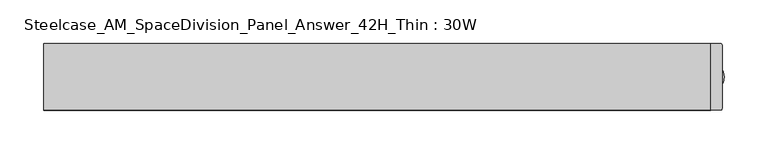
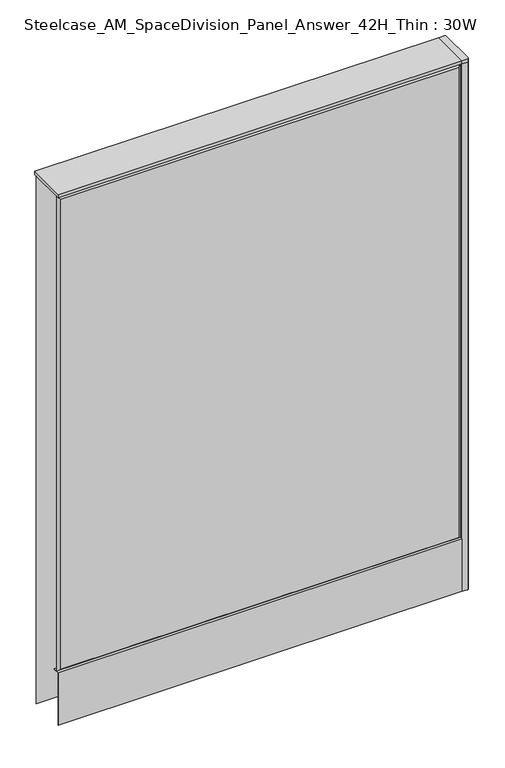
"""IFC4 building model written with IfcOpenShell, lengths in millimetres: furniture geometry, Steelcase_AM_SpaceDivision_Panel_Answer_42H_Thin : 30W."""

from ifc_helpers import new_model, si_unit, point, frame, frame_2d, origin, place, context, project, spatial, polyline, circle_curve, trimmed, segment, composite_curve, outline, extrude, faceted_brep, source, transform, mapped, element, save


def steelcase_am_spacedivision_panel_answer_42h_thin_30w_179718da(model_context):
    return source(origin(), model_context, "Body", "SolidModel", [
        extrude(outline(polyline([(-37.3075215, 119.8575157), (-37.3075215, 15.494), (-38.1000194, 15.494), (-38.1000194, 120.65), (-25.4000011, 120.65), (-25.4000011, 119.8575157), (-37.3075215, 119.8575157)])), frame((-381.0, 0.0, 0.0), z_axis=(1.0, 0.0, 0.0), x_axis=(0.0, 1.0, 0.0)), (0.0, 0.0, 1.0), 762.0),
        extrude(outline(composite_curve([segment(trimmed(circle_curve(frame_2d((381.0, -1.94e-05)), 5.08), [point((386.08, -1.94e-05))], [point((375.92, -1.94e-05))], False, "CARTESIAN"), True, "CONTINUOUS"), segment(trimmed(circle_curve(frame_2d((381.0, -1.94e-05)), 5.08), [point((375.92, -1.94e-05))], [point((386.08, -1.94e-05))], False, "CARTESIAN"), True, "CONTINUOUS")], self_intersect=False)), frame((0.0, 0.0, 5.0799671), z_axis=(0.0, 0.0, 1.0), x_axis=(1.0, 0.0, 0.0)), (0.0, 0.0, 1.0), 10.414),
        extrude(outline(composite_curve([segment(trimmed(circle_curve(frame_2d((381.0, -1.94e-05)), 15.24), [point((396.24, -1.94e-05))], [point((365.76, -1.94e-05))], False, "CARTESIAN"), True, "CONTINUOUS"), segment(trimmed(circle_curve(frame_2d((381.0, -1.94e-05)), 15.24), [point((365.76, -1.94e-05))], [point((396.24, -1.94e-05))], False, "CARTESIAN"), True, "CONTINUOUS")], self_intersect=False)), frame((0.0, 0.0, -3.29e-05), z_axis=(0.0, 0.0, 1.0), x_axis=(1.0, 0.0, 0.0)), (0.0, 0.0, 1.0), 5.08),
        extrude(outline(composite_curve([segment(polyline([(393.7, 36.322), (393.7, -36.322)]), True, "CONTINUOUS"), segment(trimmed(circle_curve(frame_2d((391.922, -36.322)), 1.778), [point((393.7, -36.322))], [point((391.922, -38.1))], False, "CARTESIAN"), True, "CONTINUOUS"), segment(polyline([(391.922, -38.1), (381.0, -38.1), (381.0, 38.1), (391.922, 38.1)]), True, "CONTINUOUS"), segment(trimmed(circle_curve(frame_2d((391.922, 36.322)), 1.778), [point((391.922, 38.1))], [point((393.7, 36.322))], False, "CARTESIAN"), True, "CONTINUOUS")], self_intersect=False)), frame((0.0, 0.0, 1066.7999671), z_axis=(0.0, 0.0, 1.0), x_axis=(1.0, 0.0, 0.0)), (0.0, 0.0, 1.0), 6.35),
        extrude(outline(composite_curve([segment(polyline([(393.7, 36.322), (393.7, -36.322)]), True, "CONTINUOUS"), segment(trimmed(circle_curve(frame_2d((391.922, -36.322)), 1.778), [point((393.7, -36.322))], [point((391.922, -38.1))], False, "CARTESIAN"), True, "CONTINUOUS"), segment(polyline([(391.922, -38.1), (381.0, -38.1), (381.0, 38.1), (391.922, 38.1)]), True, "CONTINUOUS"), segment(trimmed(circle_curve(frame_2d((391.922, 36.322)), 1.778), [point((391.922, 38.1))], [point((393.7, 36.322))], False, "CARTESIAN"), True, "CONTINUOUS")], self_intersect=False)), frame((0.0, 0.0, 15.4939671), z_axis=(0.0, 0.0, 1.0), x_axis=(1.0, 0.0, 0.0)), (0.0, 0.0, 1.0), 1051.306),
        faceted_brep([(-381.0, 33.2700541, 1066.8), (-381.0, 33.2700541, 15.494), (381.0, 33.2700541, 15.494), (381.0, 33.2700541, 1066.8), (376.174, 38.0960541, 1061.974), (-376.174, 38.0960541, 1061.974), (376.174, 38.0960541, 20.32), (-376.174, 38.0960541, 20.32)], [[[0, 1, 2, 3]], [[0, 3, 4, 5]], [[5, 4, 6, 7]], [[3, 2, 6, 4]], [[2, 1, 7, 6]], [[1, 0, 5, 7]]]),
        faceted_brep([(381.0, -33.2700541, 1066.8), (381.0, -33.2700541, 120.65), (-381.0, -33.2700541, 120.65), (-381.0, -33.2700541, 1066.8), (-376.174, -38.0960541, 1061.974), (376.174, -38.0960541, 1061.974), (-376.174, -38.0960541, 125.476), (376.174, -38.0960541, 125.476)], [[[0, 1, 2, 3]], [[0, 3, 4, 5]], [[5, 4, 6, 7]], [[3, 2, 6, 4]], [[2, 1, 7, 6]], [[1, 0, 5, 7]]]),
        extrude(outline(polyline([(381.0, 38.1000194), (381.0, -38.1000194), (-381.0, -38.1000194), (-381.0, 38.1000194), (381.0, 38.1000194)])), frame((0.0, 0.0, 1066.8), z_axis=(0.0, 0.0, 1.0), x_axis=(1.0, 0.0, 0.0)), (0.0, 0.0, 1.0), 6.35),
    ])


if __name__ == "__main__":
    model = new_model("IFC4")
    model_context = context("Model", 3, world=origin())
    ifc_project = project(units=[si_unit("LENGTHUNIT", "METRE", prefix="MILLI")], contexts=[model_context])
    site = spatial("IfcSite", under=ifc_project)
    building = spatial("IfcBuilding", under=site)
    placement = place(None, origin())
    steelcase_am_spacedivision_panel_answer_42h_thin_30w_shape = steelcase_am_spacedivision_panel_answer_42h_thin_30w_179718da(model_context)
    element("IfcFurniture", 1, ObjectType="Steelcase_AM_SpaceDivision_Panel_Answer_42H_Thin : 30W", at=placement, inside=building, context=model_context, shape_type="MappedRepresentation", body=[
        mapped(steelcase_am_spacedivision_panel_answer_42h_thin_30w_shape, transform((0.0, 0.0, 0.0), x_axis=(1.0, 0.0, 0.0), y_axis=(0.0, 1.0, 0.0), z_axis=(0.0, 0.0, 1.0))),
    ])
    save(model, "model.ifc")
